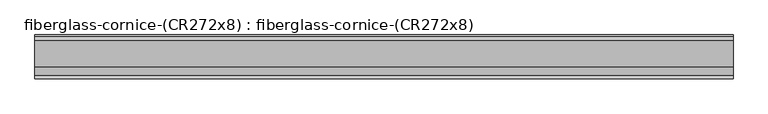
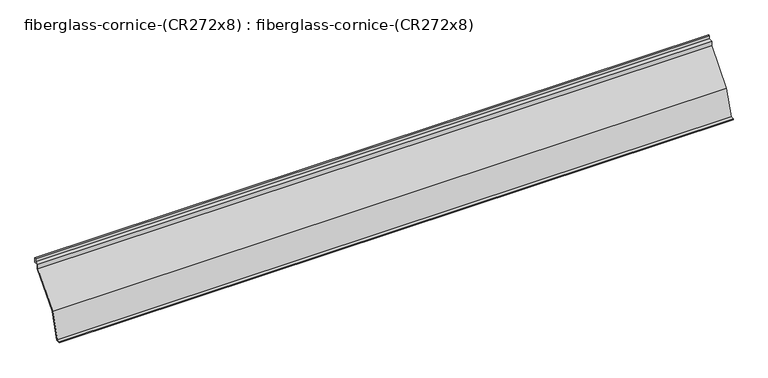
"""IFC4 building model written with IfcOpenShell, lengths in millimetres: furniture geometry, fiberglass-cornice-(CR272x8) : fiberglass-cornice-(CR272x8)."""

from ifc_helpers import new_model, si_unit, frame, origin, place, context, project, spatial, polyline, outline, extrude, source, transform, mapped, element, save


def fiberglass_cornice_cr272x8_fiberglass_cornice_cr272x8_7f6ba654(model_context):
    return source(origin(), model_context, "Body", "SweptSolid", [
        extrude(outline(polyline([(355.6, 330.1999904), (355.6, 304.478595), (330.2, 304.478595), (330.2, 279.078595), (177.8, 101.5398783), (127.0, -50.8601217), (101.6, -50.8601217), (101.6, -44.5101217), (122.423179, -44.5101217), (172.1699694, 104.7302496), (323.85, 281.4302364), (323.85, 310.828595), (349.25, 310.828595), (349.25, 330.1999904), (355.6, 330.1999904)])), frame((-2012.9498044, 0.0, 0.0), z_axis=(1.0, 0.0, 0.0), x_axis=(0.0, 1.0, 0.0)), (0.0, 0.0, 1.0), 4025.8996087),
    ])


if __name__ == "__main__":
    model = new_model("IFC4")
    model_context = context("Model", 3, world=origin())
    ifc_project = project(units=[si_unit("LENGTHUNIT", "METRE", prefix="MILLI")], contexts=[model_context])
    site = spatial("IfcSite", under=ifc_project)
    building = spatial("IfcBuilding", under=site)
    placement = place(None, origin())
    fiberglass_cornice_cr272x8_fiberglass_cornice_cr272x8_shape = fiberglass_cornice_cr272x8_fiberglass_cornice_cr272x8_7f6ba654(model_context)
    element("IfcFurniture", 1, ObjectType="fiberglass-cornice-(CR272x8) : fiberglass-cornice-(CR272x8)", at=placement, inside=building, context=model_context, shape_type="MappedRepresentation", body=[
        mapped(fiberglass_cornice_cr272x8_fiberglass_cornice_cr272x8_shape, transform((0.0, 0.0, 0.0), x_axis=(1.0, 0.0, 0.0), y_axis=(0.0, 1.0, 0.0), z_axis=(0.0, 0.0, 1.0))),
    ])
    save(model, "model.ifc")
